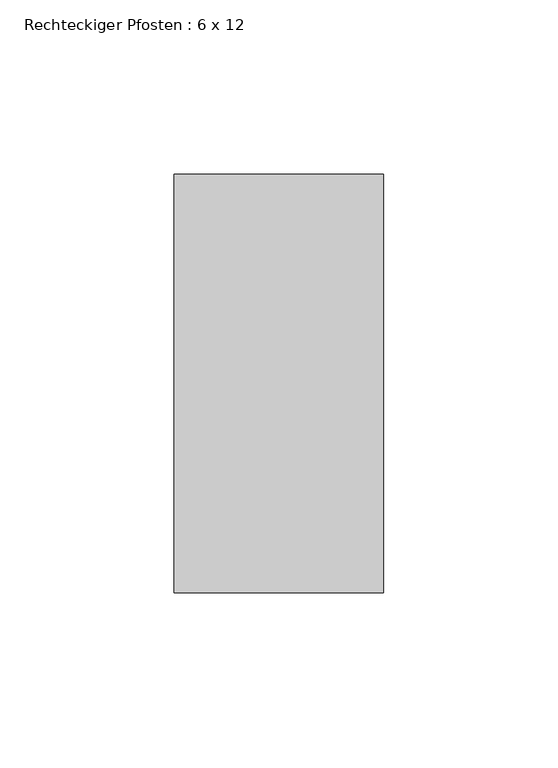
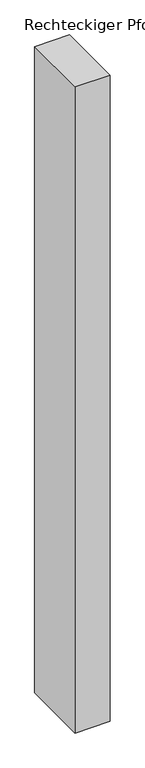
"""IFC4 building model written with IfcOpenShell, lengths in millimetres: member geometry, Rechteckiger Pfosten : 6 x 12."""

import ifcopenshell
import ifcopenshell.guid

model = None  # the IFC model being written
_history = None  # IfcOwnerHistory: only IFC2X3 demands one
_inside = {}  # id of a spatial element -> (the spatial element, [elements in it])
_under = {}  # id of a project, library or spatial element -> (it, [spatial elements below it])
_declared = {}  # id of a project -> (the project, [libraries it declares])
_typed = {}  # id of a type object -> (the type object, [elements of that type])
_made_of = {}  # id of a material, layer set ... -> (it, [elements and type objects made of it])


def new_model(schema):
    """Start an empty IFC model of exactly this schema.

    Asked for "IFC4X3", IfcOpenShell would pick the latest addendum, in which some entities
    have other attributes; the version numbers below select the first issue.
    IFC2X3 requires an IfcOwnerHistory on every rooted entity: one is made here for all.
    """
    global model, _history
    if schema == "IFC4X3":
        model = ifcopenshell.file(schema_version=(4, 3, 0, 0))
    else:
        model = ifcopenshell.file(schema=schema)
    _inside.clear()
    _under.clear()
    _declared.clear()
    _typed.clear()
    _made_of.clear()
    _history = None
    if model.schema == "IFC2X3":
        org = make("IfcOrganization", Name="unknown")
        user = make(
            "IfcPersonAndOrganization",
            ThePerson=make("IfcPerson", FamilyName="unknown"),
            TheOrganization=org,
        )
        app = make(
            "IfcApplication",
            ApplicationDeveloper=org,
            Version="unknown",
            ApplicationFullName="unknown",
            ApplicationIdentifier="unknown",
        )
        _history = make(
            "IfcOwnerHistory",
            OwningUser=user,
            OwningApplication=app,
            ChangeAction="ADDED",
            CreationDate=0,
        )
    return model


def make(cls, **values):
    """One entity of the class cls with the attributes given. An attribute that is None is left unset."""
    return model.create_entity(
        cls, **{name: value for name, value in values.items() if value is not None}
    )


def rooted(cls, **values):
    """An entity with a GlobalId (a new one), such as an element, a storey or a relation."""
    return make(cls, GlobalId=ifcopenshell.guid.new(), OwnerHistory=_history, **values)


def si_unit(unit_type, name, prefix=None):
    """IfcSIUnit, for example si_unit("LENGTHUNIT", "METRE", prefix="MILLI")."""
    return make("IfcSIUnit", UnitType=unit_type, Prefix=prefix, Name=name)


def assignment(units):
    """IfcUnitAssignment: the units of a project."""
    return None if units is None else make("IfcUnitAssignment", Units=units)


def point(xyz):
    """IfcCartesianPoint."""
    return None if xyz is None else make("IfcCartesianPoint", Coordinates=xyz)


def direction(xyz):
    """IfcDirection."""
    return None if xyz is None else make("IfcDirection", DirectionRatios=xyz)


def frame(location, z_axis=None, x_axis=None):
    """IfcAxis2Placement3D, a coordinate frame: its origin and axes. An axis left out is left unset."""
    return make(
        "IfcAxis2Placement3D",
        Location=point(location),
        Axis=direction(z_axis),
        RefDirection=direction(x_axis),
    )


def origin():
    """The frame at (0, 0, 0) with its axes left unset."""
    return frame((0.0, 0.0, 0.0))


def place(relative_to, where):
    """IfcLocalPlacement: puts the frame where relative to a parent placement (None: the world)."""
    return make(
        "IfcLocalPlacement", PlacementRelTo=relative_to, RelativePlacement=where
    )


def context(
    kind, dimensions, precision=None, world=None, true_north=None, identifier=None
):
    """IfcGeometricRepresentationContext, for example the 3D "Model" context."""
    return make(
        "IfcGeometricRepresentationContext",
        ContextIdentifier=identifier,
        ContextType=kind,
        CoordinateSpaceDimension=dimensions,
        Precision=precision,
        WorldCoordinateSystem=world,
        TrueNorth=true_north,
    )


def project(units=None, contexts=None):
    """IfcProject with its units and contexts."""
    return rooted(
        "IfcProject",
        Name="project",
        RepresentationContexts=contexts,
        UnitsInContext=assignment(units),
    )


def spatial(cls, under=None, at=None, **own):
    """A site, building, storey or space (cls), placed at a placement, below another one or the project."""
    s = rooted(cls, ObjectPlacement=at, **own)
    if under is not None:
        _under.setdefault(under.id(), (under, []))[1].append(s)
    return s


def polyline(points):
    """IfcPolyline through the points."""
    return make("IfcPolyline", Points=[point(p) for p in points])


def outline(outer, holes=None, kind="AREA"):
    """IfcArbitraryClosedProfileDef: a profile drawn as a closed curve; with holes, ...WithVoids."""
    if holes is None:
        return make("IfcArbitraryClosedProfileDef", ProfileType=kind, OuterCurve=outer)
    return make(
        "IfcArbitraryProfileDefWithVoids",
        ProfileType=kind,
        OuterCurve=outer,
        InnerCurves=holes,
    )


def extrude(swept, where, along, depth):
    """IfcExtrudedAreaSolid: the profile swept, set in the frame where, extruded along a direction by depth."""
    return make(
        "IfcExtrudedAreaSolid",
        SweptArea=swept,
        Position=where,
        ExtrudedDirection=direction(along),
        Depth=depth,
    )


def shape(context_of_items, identifier, shape_type, items):
    """IfcShapeRepresentation: the items that make up one representation, for example the "Body"."""
    return make(
        "IfcShapeRepresentation",
        ContextOfItems=context_of_items,
        RepresentationIdentifier=identifier,
        RepresentationType=shape_type,
        Items=items,
    )


def source(mapping_origin, context_of_items, identifier, shape_type, items):
    """IfcRepresentationMap: a shape defined once, which mapped items show again and again."""
    return make(
        "IfcRepresentationMap",
        MappingOrigin=mapping_origin,
        MappedRepresentation=shape(context_of_items, identifier, shape_type, items),
    )


def transform(
    local_origin,
    x_axis=None,
    y_axis=None,
    z_axis=None,
    scale=None,
    scale2=None,
    scale3=None,
    uniform=True,
):
    """IfcCartesianTransformationOperator3D, or its non-uniform kind. x_axis, y_axis, z_axis: its Axis1, 2, 3."""
    if uniform:
        return make(
            "IfcCartesianTransformationOperator3D",
            Axis1=direction(x_axis),
            Axis2=direction(y_axis),
            LocalOrigin=point(local_origin),
            Scale=scale,
            Axis3=direction(z_axis),
        )
    return make(
        "IfcCartesianTransformationOperator3DnonUniform",
        Axis1=direction(x_axis),
        Axis2=direction(y_axis),
        LocalOrigin=point(local_origin),
        Scale=scale,
        Axis3=direction(z_axis),
        Scale2=scale2,
        Scale3=scale3,
    )


def mapped(mapping_source, mapping_target):
    """IfcMappedItem: shows the shape of a source again, moved by a transform."""
    return make(
        "IfcMappedItem", MappingSource=mapping_source, MappingTarget=mapping_target
    )


def made_of(thing, what):
    """Note that an element or type object is made of a material, layer set ...; save() writes the relation."""
    if what is not None:
        _made_of.setdefault(what.id(), (what, []))[1].append(thing)
    return thing


def element(
    cls,
    number,
    at=None,
    inside=None,
    cuts=None,
    type_object=None,
    material=None,
    context=None,
    identifier="Body",
    shape_type=None,
    held_by="IfcProductDefinitionShape",
    body=None,
    shapes=None,
    **own,
):
    """One element of the class cls, such as IfcWall. Its Tag is "e" and its number.

    at: its placement. inside: the storey or other place that contains it. cuts: it is an
    opening in that element (IfcRelVoidsElement). A single representation is given by context,
    identifier, shape_type and body (its items); several are given by shapes. held_by: the class
    of the entity that holds the representations. save() writes the other relations.
    """
    e = rooted(cls, Tag="e%d" % number, ObjectPlacement=at, **own)
    if body is not None:
        shapes = [shape(context, identifier, shape_type, body)]
    if shapes is not None:
        e.Representation = make(held_by, Representations=shapes)
    if inside is not None:
        _inside.setdefault(inside.id(), (inside, []))[1].append(e)
    if cuts is not None:
        rooted(
            "IfcRelVoidsElement", RelatingBuildingElement=cuts, RelatedOpeningElement=e
        )
    if type_object is not None:
        _typed.setdefault(type_object.id(), (type_object, []))[1].append(e)
    return made_of(e, material)


def aggregate(whole, parts):
    """IfcRelAggregates: a whole, such as a stair, and the parts it consists of."""
    return rooted("IfcRelAggregates", RelatingObject=whole, RelatedObjects=parts)


def save(model, path):
    """Write the relations noted so far, then the file.

    IfcRelAggregates (storeys below a building ...), IfcRelContainedInSpatialStructure (elements
    in a storey), IfcRelDefinesByType, IfcRelAssociatesMaterial and IfcRelDeclares: one each for
    every whole, place, type object, material and project.
    """
    for whole, parts in _under.values():
        aggregate(whole, parts)
    for where, things in _inside.values():
        rooted(
            "IfcRelContainedInSpatialStructure",
            RelatedElements=things,
            RelatingStructure=where,
        )
    for kind, things in _typed.values():
        rooted("IfcRelDefinesByType", RelatedObjects=things, RelatingType=kind)
    for what, things in _made_of.values():
        rooted("IfcRelAssociatesMaterial", RelatedObjects=things, RelatingMaterial=what)
    for by, libraries in _declared.values():
        rooted("IfcRelDeclares", RelatingContext=by, RelatedDefinitions=libraries)
    model.write(path)


def rechteckiger_pfosten_6_x_12_6b95c275(model_context):
    return source(origin(), model_context, "Body", "SweptSolid", [
        extrude(outline(polyline([(0.0, 60.0), (0.0, -60.0), (-60.0, -60.0), (-60.0, 60.0), (0.0, 60.0)])), frame((0.0, 0.0, -1170.625), z_axis=(0.0, 0.0, 1.0), x_axis=(1.0, 0.0, 0.0)), (0.0, 0.0, 1.0), 1170.625),
    ])


if __name__ == "__main__":
    model = new_model("IFC4")
    model_context = context("Model", 3, world=origin())
    ifc_project = project(units=[si_unit("LENGTHUNIT", "METRE", prefix="MILLI")], contexts=[model_context])
    site = spatial("IfcSite", under=ifc_project)
    building = spatial("IfcBuilding", under=site)
    placement = place(None, origin())
    rechteckiger_pfosten_6_x_12_shape = rechteckiger_pfosten_6_x_12_6b95c275(model_context)
    element("IfcMember", 1, ObjectType="Rechteckiger Pfosten : 6 x 12", at=placement, inside=building, context=model_context, shape_type="MappedRepresentation", body=[
        mapped(rechteckiger_pfosten_6_x_12_shape, transform((0.0, 0.0, 0.0), x_axis=(1.0, 0.0, 0.0), y_axis=(0.0, 1.0, 0.0), z_axis=(0.0, 0.0, 1.0))),
    ])
    save(model, "model.ifc")
